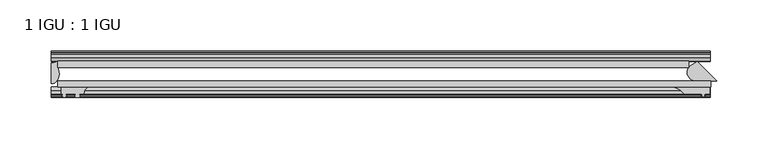
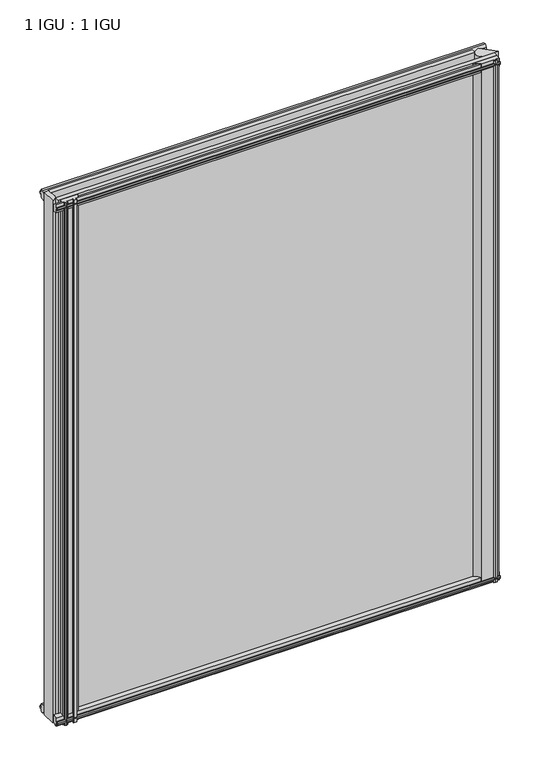
"""IFC4 building model written with IfcOpenShell, lengths in millimetres: plate geometry, 1 IGU : 1 IGU."""

from ifc_helpers import new_model, si_unit, point, frame, frame_2d, origin, place, context, project, spatial, polyline, circle_curve, ellipse_curve, trimmed, segment, composite_curve, outline, extrude, source, transform, mapped, element, save
from ifc_brep_helpers import plane_surface, cylinder_surface, revolved_surface, extruded_surface, advanced_brep


def plate_1_igu_1_igu_dcb3c6ed(model_context):
    return source(origin(), model_context, "Body", "SolidModel", [
        extrude(outline(polyline([(-314.3261907, -38.6468937), (321.2715032, -38.6468937), (321.2715032, -44.9460938), (-314.3261907, -44.9460938), (-314.3261907, -38.6468937)])), frame((0.0, 0.0, -12.7), z_axis=(0.0, 0.0, 1.0), x_axis=(1.0, 0.0, 0.0)), (0.0, 0.0, 1.0), 800.0999999),
        extrude(outline(polyline([(-314.3261907, -19.5460937), (299.939472, -19.5460937), (299.939472, -25.8960938), (-314.3261907, -25.8960938), (-314.3261907, -19.5460937)])), frame((0.0, 0.0, -12.7), z_axis=(0.0, 0.0, 1.0), x_axis=(1.0, 0.0, 0.0)), (0.0, 0.0, 1.0), 800.0999999),
        extrude(outline(composite_curve([segment(polyline([(308.3479936, -19.9178967), (327.0769907, -38.6468938), (305.9733448, -38.6468938)]), True, "CONTINUOUS"), segment(trimmed(circle_curve(frame_2d((306.7635261, -30.324123)), 8.3601973), [point((305.9733448, -38.6468938))], [point((300.5961133, -24.6800183))], False, "CARTESIAN"), True, "CONTINUOUS"), segment(polyline([(300.5961133, -24.6800183), (308.3479936, -19.9178967)]), True, "CONTINUOUS")], self_intersect=False)), frame((0.0, 0.0, -12.4587), z_axis=(0.0, 0.0, 1.0), x_axis=(1.0, 0.0, 0.0)), (0.0, 0.0, 1.0), 799.8586999),
        advanced_brep(
        [(-320.6761907, -21.1706006, -12.7), (-314.3275788, -19.5461438, -12.7), (-314.3275788, -25.8549351, -12.7), (-313.1522276, -32.21431, -12.7), (-320.6761907, -41.5384043, -12.7), (-320.6761907, -21.1706006, 787.3999999), (-320.6761907, -41.5384043, 787.3999999), (-313.1522276, -32.21431, 787.3999999), (-314.3275788, -25.8549351, 787.3999999), (-314.3275788, -19.5461438, 787.3999999)],
        [
            (0, 1, circle_curve(frame((-320.6767601, -7.9505008, -12.7), z_axis=(0.0, 0.0, 1.0), x_axis=(1.0, 0.0, 0.0)), 13.2200998)),
            (1, 2),
            (2, 3, circle_curve(frame((-331.2145919, -32.2643264, -12.7), z_axis=(0.0, 0.0, -1.0), x_axis=(1.0, 0.0, 0.0)), 18.0624336)),
            (3, 4, ellipse_curve(frame((-320.6753578, -32.2460921, -12.7), z_axis=(0.0, 0.0, -1.0), x_axis=(0.0, -1.0, 0.0)), 9.2923123, 7.5231742)),
            (4, 0),
            (5, 6),
            (6, 7, ellipse_curve(frame((-320.6753578, -32.2460921, 787.3999999), z_axis=(0.0, 0.0, 1.0), x_axis=(0.0, -1.0, 0.0)), 9.2923123, 7.5231742)),
            (7, 8, circle_curve(frame((-331.2145919, -32.2643264, 787.3999999), z_axis=(0.0, 0.0, 1.0), x_axis=(1.0, 0.0, 0.0)), 18.0624336)),
            (8, 9),
            (9, 5, circle_curve(frame((-320.6767601, -7.9505008, 787.3999999), z_axis=(0.0, 0.0, -1.0), x_axis=(1.0, 0.0, 0.0)), 13.2200998)),
            (0, 5),
            (9, 1),
            (8, 2),
            (7, 3),
            (6, 4),
        ],
        [
            plane_surface(frame((-320.6761907, -13.1960937, -12.7), z_axis=(0.0, 0.0, -1.0), x_axis=(0.0, 1.0, 0.0))),
            plane_surface(frame((-320.6761907, -13.1960937, 787.3999999), z_axis=(0.0, 0.0, 1.0), x_axis=(0.0, 1.0, 0.0))),
            revolved_surface(polyline([(-307.4566603, -7.9505008, 787.3999999), (-307.4566603, -7.9505008, -12.7)]), (-320.6767601, -7.9505008, -12.7), (0.0, 0.0, 1.0)),
            plane_surface(frame((-314.3275788, -19.5461438, -12.7), z_axis=(1.0, 0.0, 0.0), x_axis=(0.0, 0.0, 1.0))),
            cylinder_surface(frame((-331.2145919, -32.2643264, -12.7), z_axis=(0.0, 0.0, -1.0), x_axis=(1.0, 0.0, 0.0)), 18.0624336),
            extruded_surface(trimmed(ellipse_curve(frame((-320.6753578, -32.2460921, 787.3999999), z_axis=(0.0, 0.0, -1.0), x_axis=(0.0, -1.0, 0.0)), 9.2923123, 7.5231742), [point((-313.1522276, -32.21431, 787.3999999))], [point((-320.6761907, -41.5384043, 787.3999999))], True, "CARTESIAN"), (0.0, 0.0, -800.0999999000001), 800.0999999000001),
            plane_surface(frame((-320.6761907, -41.5384043, -12.7), z_axis=(-1.0, 0.0, 0.0), x_axis=(0.0, 0.0, 1.0))),
        ],
        [
            (0, [[1, 2, 3, 4, 5]]),
            (1, [[6, 7, 8, 9, 10]]),
            (2, [[-1, 11, -10, 12]]),
            (3, [[-2, -12, -9, 13]]),
            (4, [[-3, -13, -8, 14]]),
            (5, [[-4, -14, -7, 15]]),
            (6, [[-5, -15, -6, -11]]),
        ],
    ),
        extrude(outline(composite_curve([segment(polyline([(320.3668505, -44.9460938), (320.3668505, -51.2960938), (315.2868505, -51.2960938), (314.9693505, -53.4006957), (316.1879564, -53.0741712), (316.3917505, -53.8347412), (314.0168505, -54.4710938), (311.6419505, -53.8347412), (311.8457446, -53.0741712), (313.0643505, -53.4006957), (312.7468505, -51.2960938), (295.3478505, -51.2960938)]), True, "CONTINUOUS"), segment(trimmed(circle_curve(frame_2d((281.8178467, -61.7346627)), 17.0887309), [point((295.3478505, -51.2960938))], [point((285.0066828, -44.9460938))], True, "CARTESIAN"), True, "CONTINUOUS"), segment(polyline([(285.0066828, -44.9460938), (320.3668505, -44.9460938)]), True, "CONTINUOUS")], self_intersect=False)), frame((0.0, 0.0, -11.938), z_axis=(0.0, 0.0, 1.0), x_axis=(1.0, 0.0, 0.0)), (0.0, 0.0, 1.0), 799.0967),
        extrude(outline(polyline([(-44.9460937, 1.7177181), (-44.9460937, -9.1036578), (-48.3496937, -11.938), (-51.2960937, -11.938), (-51.2960937, -7.493), (-53.6762907, -7.112), (-53.2163575, -8.5275291), (-54.0175717, -8.5275291), (-54.7250937, -6.35), (-54.0175717, -4.1724709), (-53.2163575, -4.1724709), (-53.6762907, -5.588), (-51.2960937, -5.207), (-51.2960937, 0.0), (-44.9460937, 1.7177181)])), frame((-320.6761907, 0.0, 0.0), z_axis=(1.0, 0.0, 0.0), x_axis=(0.0, 1.0, 0.0)), (0.0, 0.0, 1.0), 641.3523814),
        extrude(outline(polyline([(-13.1960937, -12.4587), (-16.1424937, -12.4587), (-19.5460937, -9.6243578), (-19.5460937, 1.1970181), (-13.1960937, -0.5207), (-13.1960937, -5.7277), (-10.8158968, -6.1087), (-11.27583, -4.6931709), (-10.4746158, -4.6931709), (-9.7670937, -6.8707), (-10.4746158, -9.0482291), (-11.27583, -9.0482291), (-10.8158968, -7.6327), (-13.1960937, -8.0137), (-13.1960937, -12.4587)])), frame((-320.6761907, 0.0, 0.0), z_axis=(1.0, 0.0, 0.0), x_axis=(0.0, 1.0, 0.0)), (0.0, 0.0, 1.0), 641.3523814),
        extrude(outline(polyline([(-51.2960937, 786.6379999), (-48.3496937, 786.6379999), (-44.9460937, 783.8036577), (-44.9460937, 772.9822818), (-51.2960937, 774.6999999), (-51.2960937, 779.9069999), (-53.6762907, 780.2879999), (-53.2163575, 778.8724708), (-54.0175717, 778.8724708), (-54.7250937, 781.0499999), (-54.0175717, 783.2275289), (-53.2163575, 783.2275289), (-53.6762907, 781.8119999), (-51.2960937, 782.1929999), (-51.2960937, 786.6379999)])), frame((-320.6761907, 0.0, 0.0), z_axis=(1.0, 0.0, 0.0), x_axis=(0.0, 1.0, 0.0)), (0.0, 0.0, 1.0), 641.3523814),
        extrude(outline(polyline([(-19.5460937, 773.5029818), (-19.5460937, 784.3243577), (-16.1424937, 787.1586999), (-13.1960937, 787.1586999), (-13.1960937, 782.7136999), (-10.8158968, 782.3326999), (-11.27583, 783.7482289), (-10.4746158, 783.7482289), (-9.7670937, 781.5706999), (-10.4746158, 779.3931708), (-11.27583, 779.3931708), (-10.8158968, 780.8086999), (-13.1960937, 780.4276999), (-13.1960937, 775.2206999), (-19.5460937, 773.5029818)])), frame((-320.6761907, 0.0, 0.0), z_axis=(1.0, 0.0, 0.0), x_axis=(0.0, 1.0, 0.0)), (0.0, 0.0, 1.0), 641.3523814),
        extrude(outline(composite_curve([segment(trimmed(circle_curve(frame_2d((-279.9102594, -51.9750196)), 9.0414579), [point((-285.5972763, -44.9460938))], [point((-288.9261909, -51.2960938))], True, "CARTESIAN"), True, "CONTINUOUS"), segment(polyline([(-288.9261909, -51.2960938), (-293.1679909, -51.2960938)]), True, "CONTINUOUS"), segment(trimmed(circle_curve(frame_2d((-293.1679909, -51.7532938)), 0.4572), [point((-293.1679909, -51.2960938))], [point((-293.5068087, -52.0602698))], True, "CARTESIAN"), True, "CONTINUOUS"), segment(trimmed(circle_curve(frame_2d((-295.2761909, -53.663367)), 2.3876), [point((-293.5068087, -52.0602698))], [point((-293.2055479, -54.8520938))], False, "CARTESIAN"), True, "CONTINUOUS"), segment(polyline([(-293.2055479, -54.8520938), (-297.3468339, -54.8520938)]), True, "CONTINUOUS"), segment(trimmed(circle_curve(frame_2d((-295.2761909, -53.663367)), 2.3876), [point((-297.3468339, -54.8520938))], [point((-297.045573, -52.0602698))], False, "CARTESIAN"), True, "CONTINUOUS"), segment(trimmed(circle_curve(frame_2d((-297.3843909, -51.7532938)), 0.4572), [point((-297.045573, -52.0602698))], [point((-297.3843909, -51.2960938))], True, "CARTESIAN"), True, "CONTINUOUS"), segment(polyline([(-297.3843909, -51.2960938), (-306.4521909, -51.2960938), (-306.4521909, -52.9470938), (-305.3745601, -52.9470938)]), True, "CONTINUOUS"), segment(trimmed(circle_curve(frame_2d((-306.4521909, -52.9470938)), 1.0776307), [point((-305.3745601, -52.9470938))], [point((-305.6901909, -53.7090938))], False, "CARTESIAN"), True, "CONTINUOUS"), segment(polyline([(-305.6901909, -53.7090938), (-307.4294833, -54.8194621)]), True, "CONTINUOUS"), segment(trimmed(circle_curve(frame_2d((-307.9761909, -53.9630938)), 1.016), [point((-307.4294833, -54.8194621))], [point((-308.5228985, -54.8194621))], False, "CARTESIAN"), True, "CONTINUOUS"), segment(polyline([(-308.5228985, -54.8194621), (-310.2621909, -53.7090938)]), True, "CONTINUOUS"), segment(trimmed(circle_curve(frame_2d((-309.5001909, -52.9470938)), 1.0776307), [point((-310.2621909, -53.7090938))], [point((-310.5778216, -52.9470938))], False, "CARTESIAN"), True, "CONTINUOUS"), segment(polyline([(-310.5778216, -52.9470938), (-309.5001909, -52.9470938), (-309.5001909, -51.2960938), (-311.1511909, -51.2960938), (-311.1511909, -44.9460938), (-285.5972763, -44.9460938)]), True, "CONTINUOUS")], self_intersect=False)), frame((0.0, 0.0, -12.7), z_axis=(0.0, 0.0, 1.0), x_axis=(1.0, 0.0, 0.0)), (0.0, 0.0, 1.0), 800.1),
    ])


if __name__ == "__main__":
    model = new_model("IFC4")
    model_context = context("Model", 3, world=origin())
    ifc_project = project(units=[si_unit("LENGTHUNIT", "METRE", prefix="MILLI")], contexts=[model_context])
    site = spatial("IfcSite", under=ifc_project)
    building = spatial("IfcBuilding", under=site)
    placement = place(None, origin())
    plate_1_igu_1_igu_shape = plate_1_igu_1_igu_dcb3c6ed(model_context)
    element("IfcPlate", 1, ObjectType="1 IGU : 1 IGU", at=placement, inside=building, context=model_context, shape_type="MappedRepresentation", body=[
        mapped(plate_1_igu_1_igu_shape, transform((0.0, 0.0, 0.0), x_axis=(1.0, 0.0, 0.0), y_axis=(0.0, 1.0, 0.0), z_axis=(0.0, 0.0, 1.0))),
    ])
    save(model, "model.ifc")
